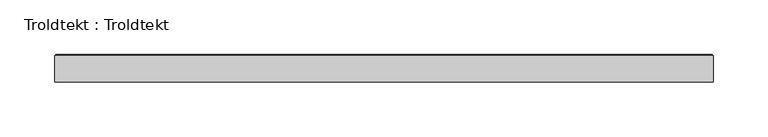
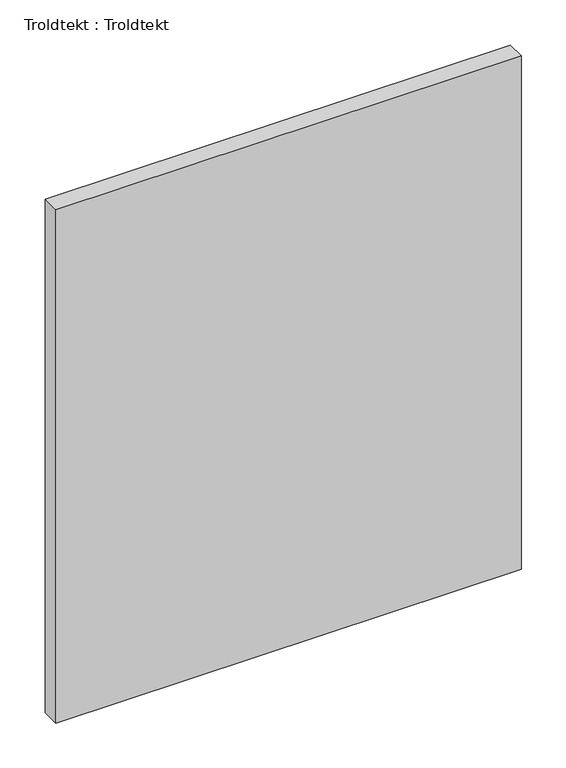
"""IFC4 building model written with IfcOpenShell, lengths in millimetres: proxy geometry, Troldtekt : Troldtekt."""

import ifcopenshell
import ifcopenshell.guid

model = None  # the IFC model being written
_history = None  # IfcOwnerHistory: only IFC2X3 demands one
_inside = {}  # id of a spatial element -> (the spatial element, [elements in it])
_under = {}  # id of a project, library or spatial element -> (it, [spatial elements below it])
_declared = {}  # id of a project -> (the project, [libraries it declares])
_typed = {}  # id of a type object -> (the type object, [elements of that type])
_made_of = {}  # id of a material, layer set ... -> (it, [elements and type objects made of it])


def new_model(schema):
    """Start an empty IFC model of exactly this schema.

    Asked for "IFC4X3", IfcOpenShell would pick the latest addendum, in which some entities
    have other attributes; the version numbers below select the first issue.
    IFC2X3 requires an IfcOwnerHistory on every rooted entity: one is made here for all.
    """
    global model, _history
    if schema == "IFC4X3":
        model = ifcopenshell.file(schema_version=(4, 3, 0, 0))
    else:
        model = ifcopenshell.file(schema=schema)
    _inside.clear()
    _under.clear()
    _declared.clear()
    _typed.clear()
    _made_of.clear()
    _history = None
    if model.schema == "IFC2X3":
        org = make("IfcOrganization", Name="unknown")
        user = make(
            "IfcPersonAndOrganization",
            ThePerson=make("IfcPerson", FamilyName="unknown"),
            TheOrganization=org,
        )
        app = make(
            "IfcApplication",
            ApplicationDeveloper=org,
            Version="unknown",
            ApplicationFullName="unknown",
            ApplicationIdentifier="unknown",
        )
        _history = make(
            "IfcOwnerHistory",
            OwningUser=user,
            OwningApplication=app,
            ChangeAction="ADDED",
            CreationDate=0,
        )
    return model


def make(cls, **values):
    """One entity of the class cls with the attributes given. An attribute that is None is left unset."""
    return model.create_entity(
        cls, **{name: value for name, value in values.items() if value is not None}
    )


def rooted(cls, **values):
    """An entity with a GlobalId (a new one), such as an element, a storey or a relation."""
    return make(cls, GlobalId=ifcopenshell.guid.new(), OwnerHistory=_history, **values)


def si_unit(unit_type, name, prefix=None):
    """IfcSIUnit, for example si_unit("LENGTHUNIT", "METRE", prefix="MILLI")."""
    return make("IfcSIUnit", UnitType=unit_type, Prefix=prefix, Name=name)


def assignment(units):
    """IfcUnitAssignment: the units of a project."""
    return None if units is None else make("IfcUnitAssignment", Units=units)


def point(xyz):
    """IfcCartesianPoint."""
    return None if xyz is None else make("IfcCartesianPoint", Coordinates=xyz)


def direction(xyz):
    """IfcDirection."""
    return None if xyz is None else make("IfcDirection", DirectionRatios=xyz)


def frame(location, z_axis=None, x_axis=None):
    """IfcAxis2Placement3D, a coordinate frame: its origin and axes. An axis left out is left unset."""
    return make(
        "IfcAxis2Placement3D",
        Location=point(location),
        Axis=direction(z_axis),
        RefDirection=direction(x_axis),
    )


def origin():
    """The frame at (0, 0, 0) with its axes left unset."""
    return frame((0.0, 0.0, 0.0))


def place(relative_to, where):
    """IfcLocalPlacement: puts the frame where relative to a parent placement (None: the world)."""
    return make(
        "IfcLocalPlacement", PlacementRelTo=relative_to, RelativePlacement=where
    )


def context(
    kind, dimensions, precision=None, world=None, true_north=None, identifier=None
):
    """IfcGeometricRepresentationContext, for example the 3D "Model" context."""
    return make(
        "IfcGeometricRepresentationContext",
        ContextIdentifier=identifier,
        ContextType=kind,
        CoordinateSpaceDimension=dimensions,
        Precision=precision,
        WorldCoordinateSystem=world,
        TrueNorth=true_north,
    )


def project(units=None, contexts=None):
    """IfcProject with its units and contexts."""
    return rooted(
        "IfcProject",
        Name="project",
        RepresentationContexts=contexts,
        UnitsInContext=assignment(units),
    )


def spatial(cls, under=None, at=None, **own):
    """A site, building, storey or space (cls), placed at a placement, below another one or the project."""
    s = rooted(cls, ObjectPlacement=at, **own)
    if under is not None:
        _under.setdefault(under.id(), (under, []))[1].append(s)
    return s


def faces_of(points, faces, orient=None, outer=None):
    """IfcFace entities. A face is a list of loops; a loop is a list of indices into points, from 0.

    orient and outer hold one flag for each loop. By default every Orientation is true, the
    first loop of a face is its IfcFaceOuterBound and the others are IfcFaceBound.
    """
    made = []
    for i, loops in enumerate(faces):
        bounds = []
        for j, loop in enumerate(loops):
            is_outer = j == 0 if outer is None else outer[i][j]
            bounds.append(
                make(
                    "IfcFaceOuterBound" if is_outer else "IfcFaceBound",
                    Bound=make("IfcPolyLoop", Polygon=[points[k] for k in loop]),
                    Orientation=True if orient is None else orient[i][j],
                )
            )
        made.append(make("IfcFace", Bounds=bounds))
    return made


def faceted_brep(points, faces, orient=None, outer=None, voids=None):
    """IfcFacetedBrep: a solid bounded by flat faces; with voids (closed shells), ...WithVoids."""
    shared = [point(p) for p in points]
    hull = make("IfcClosedShell", CfsFaces=faces_of(shared, faces, orient, outer))
    if voids is None:
        return make("IfcFacetedBrep", Outer=hull)
    return make(
        "IfcFacetedBrepWithVoids",
        Outer=hull,
        Voids=[
            make(cls, CfsFaces=faces_of(shared, fs, o, b)) for cls, fs, o, b in voids
        ],
    )


def shape(context_of_items, identifier, shape_type, items):
    """IfcShapeRepresentation: the items that make up one representation, for example the "Body"."""
    return make(
        "IfcShapeRepresentation",
        ContextOfItems=context_of_items,
        RepresentationIdentifier=identifier,
        RepresentationType=shape_type,
        Items=items,
    )


def source(mapping_origin, context_of_items, identifier, shape_type, items):
    """IfcRepresentationMap: a shape defined once, which mapped items show again and again."""
    return make(
        "IfcRepresentationMap",
        MappingOrigin=mapping_origin,
        MappedRepresentation=shape(context_of_items, identifier, shape_type, items),
    )


def transform(
    local_origin,
    x_axis=None,
    y_axis=None,
    z_axis=None,
    scale=None,
    scale2=None,
    scale3=None,
    uniform=True,
):
    """IfcCartesianTransformationOperator3D, or its non-uniform kind. x_axis, y_axis, z_axis: its Axis1, 2, 3."""
    if uniform:
        return make(
            "IfcCartesianTransformationOperator3D",
            Axis1=direction(x_axis),
            Axis2=direction(y_axis),
            LocalOrigin=point(local_origin),
            Scale=scale,
            Axis3=direction(z_axis),
        )
    return make(
        "IfcCartesianTransformationOperator3DnonUniform",
        Axis1=direction(x_axis),
        Axis2=direction(y_axis),
        LocalOrigin=point(local_origin),
        Scale=scale,
        Axis3=direction(z_axis),
        Scale2=scale2,
        Scale3=scale3,
    )


def mapped(mapping_source, mapping_target):
    """IfcMappedItem: shows the shape of a source again, moved by a transform."""
    return make(
        "IfcMappedItem", MappingSource=mapping_source, MappingTarget=mapping_target
    )


def made_of(thing, what):
    """Note that an element or type object is made of a material, layer set ...; save() writes the relation."""
    if what is not None:
        _made_of.setdefault(what.id(), (what, []))[1].append(thing)
    return thing


def element(
    cls,
    number,
    at=None,
    inside=None,
    cuts=None,
    type_object=None,
    material=None,
    context=None,
    identifier="Body",
    shape_type=None,
    held_by="IfcProductDefinitionShape",
    body=None,
    shapes=None,
    **own,
):
    """One element of the class cls, such as IfcWall. Its Tag is "e" and its number.

    at: its placement. inside: the storey or other place that contains it. cuts: it is an
    opening in that element (IfcRelVoidsElement). A single representation is given by context,
    identifier, shape_type and body (its items); several are given by shapes. held_by: the class
    of the entity that holds the representations. save() writes the other relations.
    """
    e = rooted(cls, Tag="e%d" % number, ObjectPlacement=at, **own)
    if body is not None:
        shapes = [shape(context, identifier, shape_type, body)]
    if shapes is not None:
        e.Representation = make(held_by, Representations=shapes)
    if inside is not None:
        _inside.setdefault(inside.id(), (inside, []))[1].append(e)
    if cuts is not None:
        rooted(
            "IfcRelVoidsElement", RelatingBuildingElement=cuts, RelatedOpeningElement=e
        )
    if type_object is not None:
        _typed.setdefault(type_object.id(), (type_object, []))[1].append(e)
    return made_of(e, material)


def aggregate(whole, parts):
    """IfcRelAggregates: a whole, such as a stair, and the parts it consists of."""
    return rooted("IfcRelAggregates", RelatingObject=whole, RelatedObjects=parts)


def save(model, path):
    """Write the relations noted so far, then the file.

    IfcRelAggregates (storeys below a building ...), IfcRelContainedInSpatialStructure (elements
    in a storey), IfcRelDefinesByType, IfcRelAssociatesMaterial and IfcRelDeclares: one each for
    every whole, place, type object, material and project.
    """
    for whole, parts in _under.values():
        aggregate(whole, parts)
    for where, things in _inside.values():
        rooted(
            "IfcRelContainedInSpatialStructure",
            RelatedElements=things,
            RelatingStructure=where,
        )
    for kind, things in _typed.values():
        rooted("IfcRelDefinesByType", RelatedObjects=things, RelatingType=kind)
    for what, things in _made_of.values():
        rooted("IfcRelAssociatesMaterial", RelatedObjects=things, RelatingMaterial=what)
    for by, libraries in _declared.values():
        rooted("IfcRelDeclares", RelatingContext=by, RelatedDefinitions=libraries)
    model.write(path)


def troldtekt_troldtekt_903d689e(model_context):
    return source(origin(), model_context, "Body", "Brep", [
        faceted_brep([(-300.0, -12.5, 700.0), (300.0, -12.5, 700.0), (300.0, 11.495044, 700.0), (-300.0, 11.495044, 700.0), (300.0, -12.5, 0.0), (-300.0, -12.5, 0.0), (-300.0, 11.495044, 0.0), (300.0, 11.495044, 0.0), (-298.995044, 12.5, 1.004956), (-298.995044, 12.5, 698.995044), (298.995044, 12.5, 698.995044), (298.995044, 12.5, 1.004956)], [[[0, 1, 2, 3]], [[4, 5, 6, 7]], [[8, 9, 10, 11]], [[5, 0, 3, 6]], [[1, 0, 5, 4]], [[1, 4, 7, 2]], [[8, 6, 3, 9]], [[6, 8, 11, 7]], [[7, 11, 10, 2]], [[2, 10, 9, 3]]]),
    ])


if __name__ == "__main__":
    model = new_model("IFC4")
    model_context = context("Model", 3, world=origin())
    ifc_project = project(units=[si_unit("LENGTHUNIT", "METRE", prefix="MILLI")], contexts=[model_context])
    site = spatial("IfcSite", under=ifc_project)
    building = spatial("IfcBuilding", under=site)
    placement = place(None, origin())
    troldtekt_troldtekt_shape = troldtekt_troldtekt_903d689e(model_context)
    element("IfcBuildingElementProxy", 1, Name="Troldtekt : Troldtekt", ObjectType="Troldtekt : Troldtekt", at=placement, inside=building, context=model_context, shape_type="MappedRepresentation", body=[
        mapped(troldtekt_troldtekt_shape, transform((0.0, 0.0, 0.0), x_axis=(1.0, 0.0, 0.0), y_axis=(0.0, 1.0, 0.0), z_axis=(0.0, 0.0, 1.0))),
    ])
    save(model, "model.ifc")
